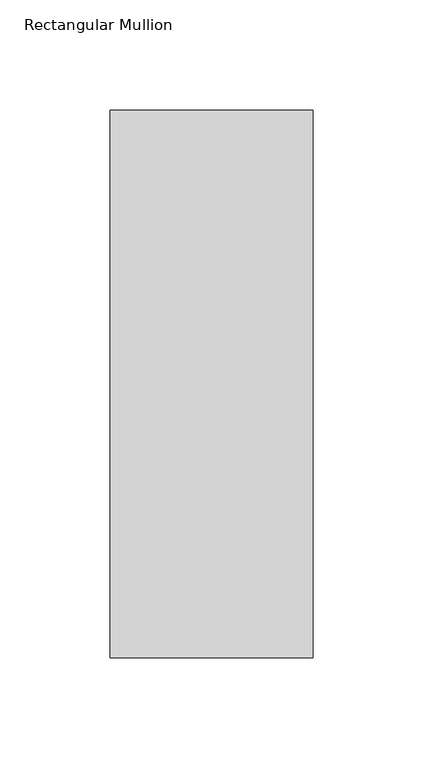
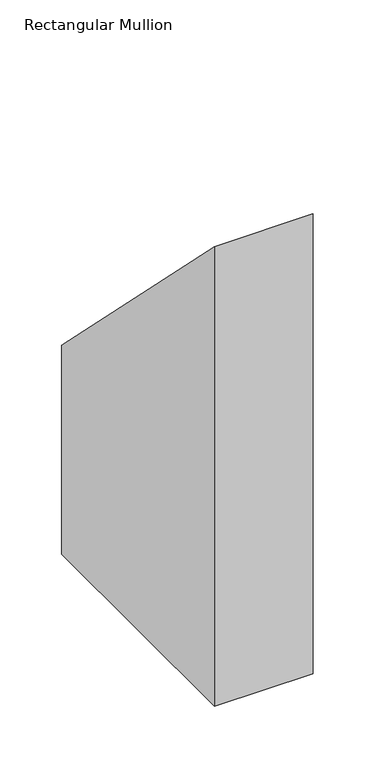
"""IFC4 building model written with IfcOpenShell, lengths in millimetres: member geometry, Rectangular Mullion."""

from ifc_helpers import new_model, si_unit, origin, place, context, project, spatial, faceted_brep, source, transform, mapped, element, save


def rectangular_mullion_c8c7d3d1(model_context):
    return source(origin(), model_context, "Body", "Brep", [
        faceted_brep([(0.0154385, 295.1925444, -501.65), (-0.0032178, 46.755144, -501.65), (-92.1036175, 46.7620603, -501.65), (-92.0849612, 295.1994606, -501.65), (-92.0849612, 295.1994606, -295.1994606), (0.0154385, 295.1925444, -295.1925444), (-92.1036175, 46.7620603, -46.7620603), (-0.0032178, 46.755144, -46.755144)], [[[0, 1, 2, 3]], [[4, 5, 0, 3]], [[6, 4, 3, 2]], [[7, 6, 2, 1]], [[5, 7, 1, 0]], [[5, 4, 6, 7]]]),
    ])


if __name__ == "__main__":
    model = new_model("IFC4")
    model_context = context("Model", 3, world=origin())
    ifc_project = project(units=[si_unit("LENGTHUNIT", "METRE", prefix="MILLI")], contexts=[model_context])
    site = spatial("IfcSite", under=ifc_project)
    building = spatial("IfcBuilding", under=site)
    placement = place(None, origin())
    rectangular_mullion_shape = rectangular_mullion_c8c7d3d1(model_context)
    element("IfcMember", 1, ObjectType="Rectangular Mullion", at=placement, inside=building, context=model_context, shape_type="MappedRepresentation", body=[
        mapped(rectangular_mullion_shape, transform((0.0, 0.0, 0.0), x_axis=(1.0, 0.0, 0.0), y_axis=(0.0, 1.0, 0.0), z_axis=(0.0, 0.0, 1.0))),
    ])
    save(model, "model.ifc")
